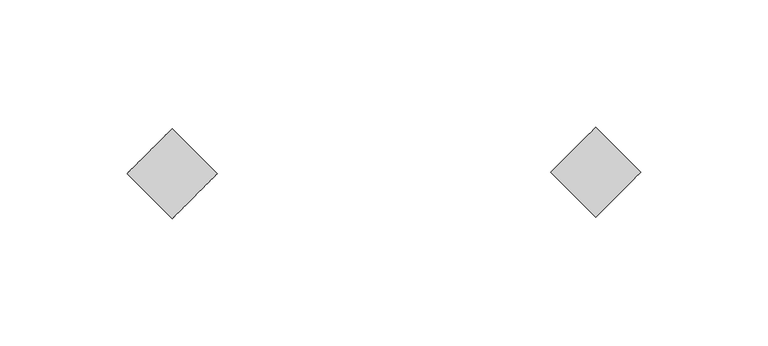
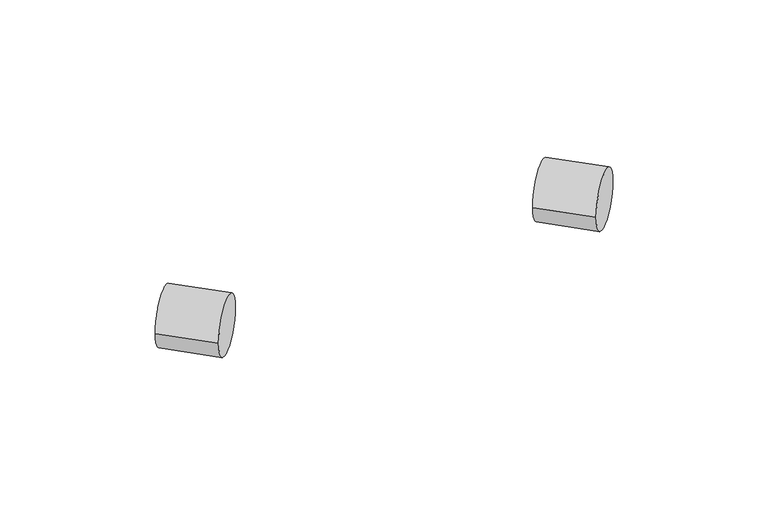
"""IFC4 building model written with IfcOpenShell, lengths in millimetres: proxy geometry."""

from ifc_helpers import new_model, si_unit, point, frame, frame_2d, origin, place, context, project, spatial, circle_curve, trimmed, segment, composite_curve, outline, extrude, source, transform, mapped, element, save


def generic_models_22ca3fbf(model_context):
    return source(origin(), model_context, "Body", "SweptSolid", [
        extrude(outline(composite_curve([segment(trimmed(circle_curve(frame_2d((0.0, -12.4607201)), 12.4607202), [point((0.0, -24.9214404))], [point((0.0, 0.0))], False, "CARTESIAN"), True, "CONTINUOUS"), segment(trimmed(circle_curve(frame_2d((0.0, -12.4607201)), 12.4607202), [point((0.0, 0.0))], [point((0.0, -24.9214404))], False, "CARTESIAN"), True, "CONTINUOUS")], self_intersect=False)), frame((-2914.4280752, 7449.3479734, 1824.5274572), z_axis=(-0.7071067811865432, 0.7071067811865519, 0.0), x_axis=(0.0, 0.0, 1.0)), (0.0, 0.0, 1.0), 25.0),
        extrude(outline(composite_curve([segment(trimmed(circle_curve(frame_2d((0.0, -12.4944576)), 12.4944576), [point((0.0, -24.9889154))], [point((0.0, 0.0))], False, "CARTESIAN"), True, "CONTINUOUS"), segment(trimmed(circle_curve(frame_2d((0.0, -12.4944576)), 12.4944576), [point((0.0, 0.0))], [point((0.0, -24.9889154))], False, "CARTESIAN"), True, "CONTINUOUS")], self_intersect=False)), frame((-2747.8799138, 7449.9749737, 1824.5274572), z_axis=(-0.7071067811865432, 0.7071067811865519, 0.0), x_axis=(0.0, 0.0, 1.0)), (0.0, 0.0, 1.0), 25.0),
    ])


if __name__ == "__main__":
    model = new_model("IFC4")
    model_context = context("Model", 3, world=origin())
    ifc_project = project(units=[si_unit("LENGTHUNIT", "METRE", prefix="MILLI")], contexts=[model_context])
    site = spatial("IfcSite", under=ifc_project)
    building = spatial("IfcBuilding", under=site)
    placement = place(None, origin())
    generic_models_shape = generic_models_22ca3fbf(model_context)
    element("IfcBuildingElementProxy", 1, Name="Generic Models", at=placement, inside=building, context=model_context, shape_type="MappedRepresentation", body=[
        mapped(generic_models_shape, transform((0.0, 0.0, 0.0), x_axis=(1.0, 0.0, 0.0), y_axis=(0.0, 1.0, 0.0), z_axis=(0.0, 0.0, 1.0))),
    ])
    save(model, "model.ifc")
